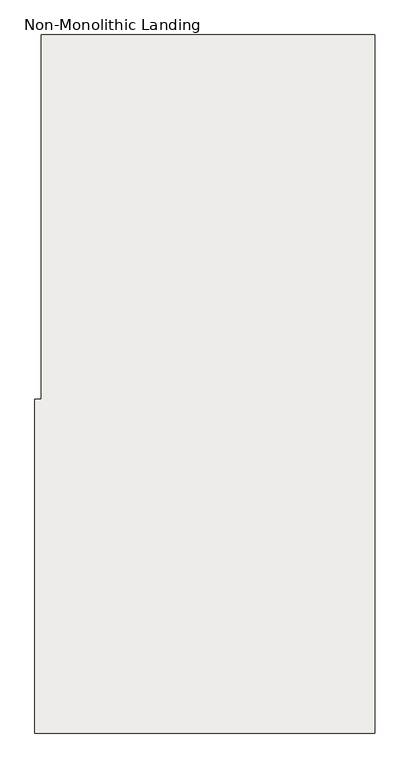
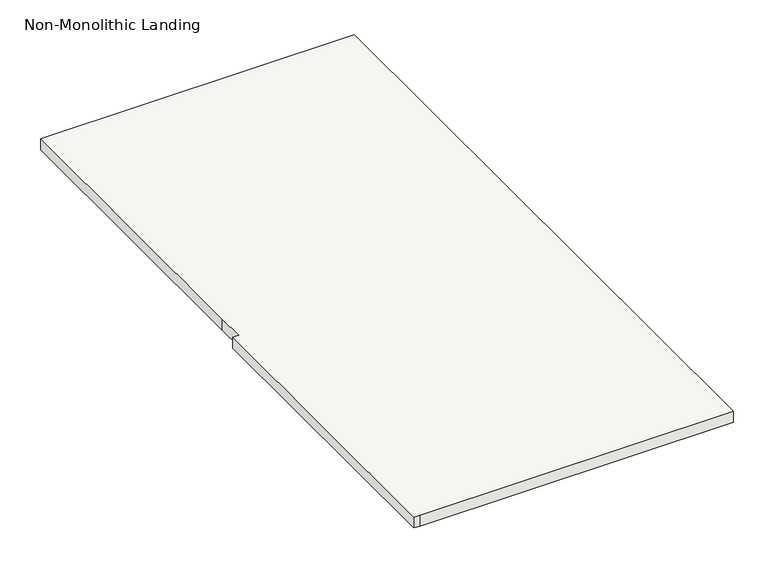
"""IFC4 building model written with IfcOpenShell, lengths in millimetres: slab geometry, Non-Monolithic Landing."""

from ifc_helpers import new_model, si_unit, frame, origin, place, context, project, spatial, polyline, outline, extrude, source, transform, mapped, element, save


def non_monolithic_landing_26f097cc(model_context):
    return source(origin(), model_context, "Body", "SweptSolid", [
        extrude(outline(polyline([(-319703.5918555, 139613.3350981), (-318331.9918555, 139613.3350981), (-318331.9918555, 136743.1350981), (-319703.5918555, 136743.1350981), (-319728.9918555, 136743.1350981), (-319728.9918555, 138114.7350981), (-319703.5918555, 138114.7350981), (-319703.5918555, 138241.7350981), (-319703.5918555, 139613.3350981)])), frame((0.0, 0.0, 2307.3894737), z_axis=(0.0, 0.0, 1.0), x_axis=(1.0, 0.0, 0.0)), (0.0, 0.0, 1.0), 50.8),
    ])


if __name__ == "__main__":
    model = new_model("IFC4")
    model_context = context("Model", 3, world=origin())
    ifc_project = project(units=[si_unit("LENGTHUNIT", "METRE", prefix="MILLI")], contexts=[model_context])
    site = spatial("IfcSite", under=ifc_project)
    building = spatial("IfcBuilding", under=site)
    placement = place(None, origin())
    non_monolithic_landing_shape = non_monolithic_landing_26f097cc(model_context)
    element("IfcSlab", 1, ObjectType="Non-Monolithic Landing", at=placement, inside=building, context=model_context, shape_type="MappedRepresentation", body=[
        mapped(non_monolithic_landing_shape, transform((0.0, 0.0, 0.0), x_axis=(1.0, 0.0, 0.0), y_axis=(0.0, 1.0, 0.0), z_axis=(0.0, 0.0, 1.0))),
    ])
    save(model, "model.ifc")
